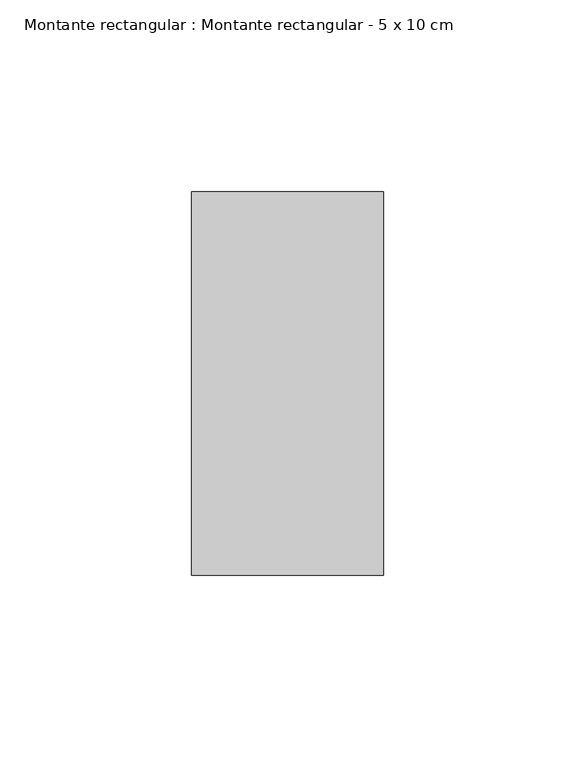
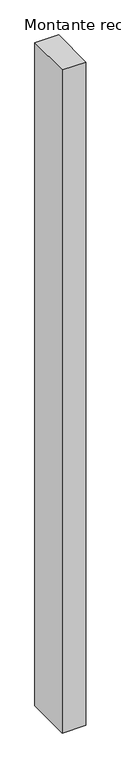
"""IFC4 building model written with IfcOpenShell, lengths in millimetres: member geometry, Montante rectangular : Montante rectangular - 5 x 10 cm."""

from ifc_helpers import new_model, si_unit, frame, origin, place, context, project, spatial, polyline, outline, extrude, source, transform, mapped, element, save


def montante_rectangular_montante_rectangular_5_x_10_cm_13416d27(model_context):
    return source(origin(), model_context, "Body", "SweptSolid", [
        extrude(outline(polyline([(25.0, 50.0), (25.0, -50.0), (-25.0, -50.0), (-25.0, 50.0), (25.0, 50.0)])), frame((0.0, 0.0, -1482.4904288), z_axis=(0.0, 0.0, 1.0), x_axis=(1.0, 0.0, 0.0)), (0.0, 0.0, 1.0), 1482.4904288),
    ])


if __name__ == "__main__":
    model = new_model("IFC4")
    model_context = context("Model", 3, world=origin())
    ifc_project = project(units=[si_unit("LENGTHUNIT", "METRE", prefix="MILLI")], contexts=[model_context])
    site = spatial("IfcSite", under=ifc_project)
    building = spatial("IfcBuilding", under=site)
    placement = place(None, origin())
    montante_rectangular_montante_rectangular_5_x_10_cm_shape = montante_rectangular_montante_rectangular_5_x_10_cm_13416d27(model_context)
    element("IfcMember", 1, ObjectType="Montante rectangular : Montante rectangular - 5 x 10 cm", at=placement, inside=building, context=model_context, shape_type="MappedRepresentation", body=[
        mapped(montante_rectangular_montante_rectangular_5_x_10_cm_shape, transform((0.0, 0.0, 0.0), x_axis=(1.0, 0.0, 0.0), y_axis=(0.0, 1.0, 0.0), z_axis=(0.0, 0.0, 1.0))),
    ])
    save(model, "model.ifc")
